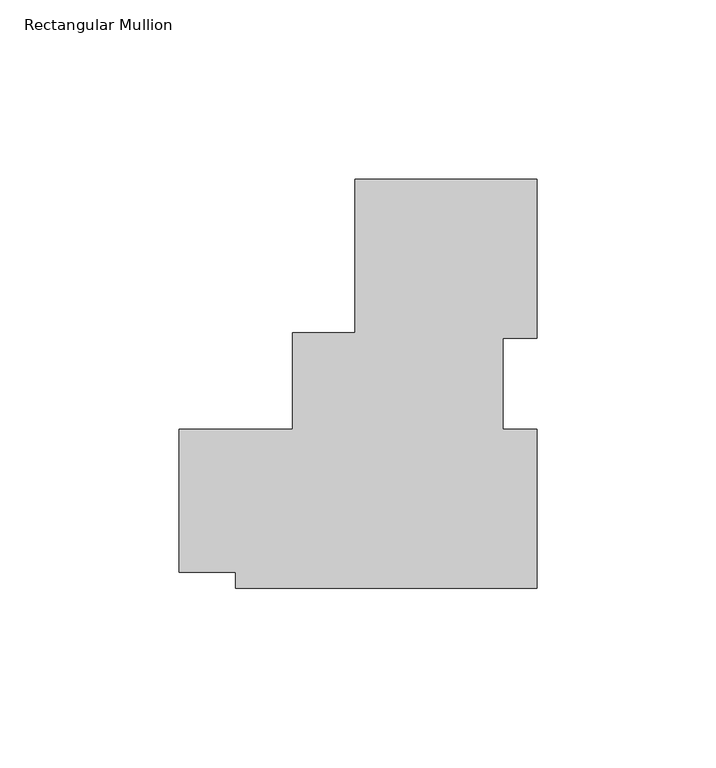
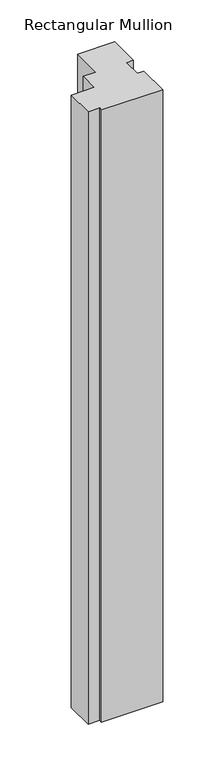
"""IFC4 building model written with IfcOpenShell, lengths in millimetres: member geometry, Rectangular Mullion."""

from ifc_helpers import new_model, si_unit, frame, origin, place, context, project, spatial, polyline, outline, extrude, source, transform, mapped, element, save


def rectangular_mullion_1e10f07a(model_context):
    return source(origin(), model_context, "Body", "SweptSolid", [
        extrude(outline(polyline([(-11.1234084, 49.8945969), (39.6765916, 49.8945969), (39.6765916, 5.49217), (30.1515916, 5.49217), (30.1515916, -19.9955283), (39.6765916, -19.9955283), (39.6765916, -64.4048737), (-44.4599878, -64.4048737), (-44.4599878, -59.9680017), (-60.3340783, -59.9680017), (-60.3359084, -19.9628961), (-28.5859084, -19.9628961), (-28.5859084, 7.0320969), (-11.1234084, 7.0320969), (-11.1234084, 49.8945969)])), frame((0.0, 0.0, -891.032), z_axis=(0.0, 0.0, 1.0), x_axis=(1.0, 0.0, 0.0)), (0.0, 0.0, 1.0), 891.032),
    ])


if __name__ == "__main__":
    model = new_model("IFC4")
    model_context = context("Model", 3, world=origin())
    ifc_project = project(units=[si_unit("LENGTHUNIT", "METRE", prefix="MILLI")], contexts=[model_context])
    site = spatial("IfcSite", under=ifc_project)
    building = spatial("IfcBuilding", under=site)
    placement = place(None, origin())
    rectangular_mullion_shape = rectangular_mullion_1e10f07a(model_context)
    element("IfcMember", 1, ObjectType="Rectangular Mullion", at=placement, inside=building, context=model_context, shape_type="MappedRepresentation", body=[
        mapped(rectangular_mullion_shape, transform((0.0, 0.0, 0.0), x_axis=(1.0, 0.0, 0.0), y_axis=(0.0, 1.0, 0.0), z_axis=(0.0, 0.0, 1.0))),
    ])
    save(model, "model.ifc")
